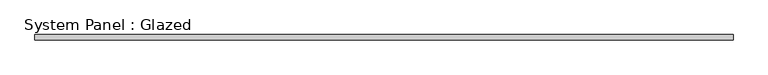
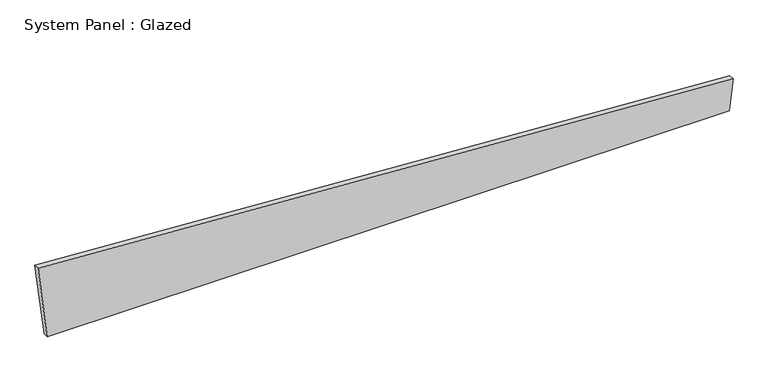
"""IFC4 building model written with IfcOpenShell, lengths in millimetres: plate geometry, System Panel : Glazed."""

from ifc_helpers import new_model, si_unit, frame, origin, place, context, project, spatial, polyline, outline, extrude, source, transform, mapped, element, save


def system_panel_glazed_bede5eed(model_context):
    return source(origin(), model_context, "Body", "SweptSolid", [
        extrude(outline(polyline([(0.0, -1544.5511222), (0.0, 1568.5434903), (148.8739156, 1586.5892458), (345.723592, -1586.5892458), (0.0, -1544.5511222)])), frame((0.0, -49.5, 0.0), z_axis=(0.0, 1.0, 0.0), x_axis=(0.0, 0.0, 1.0)), (0.0, 0.0, 1.0), 25.0),
    ])


if __name__ == "__main__":
    model = new_model("IFC4")
    model_context = context("Model", 3, world=origin())
    ifc_project = project(units=[si_unit("LENGTHUNIT", "METRE", prefix="MILLI")], contexts=[model_context])
    site = spatial("IfcSite", under=ifc_project)
    building = spatial("IfcBuilding", under=site)
    placement = place(None, origin())
    system_panel_glazed_shape = system_panel_glazed_bede5eed(model_context)
    element("IfcPlate", 1, ObjectType="System Panel : Glazed", at=placement, inside=building, context=model_context, shape_type="MappedRepresentation", body=[
        mapped(system_panel_glazed_shape, transform((0.0, 0.0, 0.0), x_axis=(1.0, 0.0, 0.0), y_axis=(0.0, 1.0, 0.0), z_axis=(0.0, 0.0, 1.0))),
    ])
    save(model, "model.ifc")
